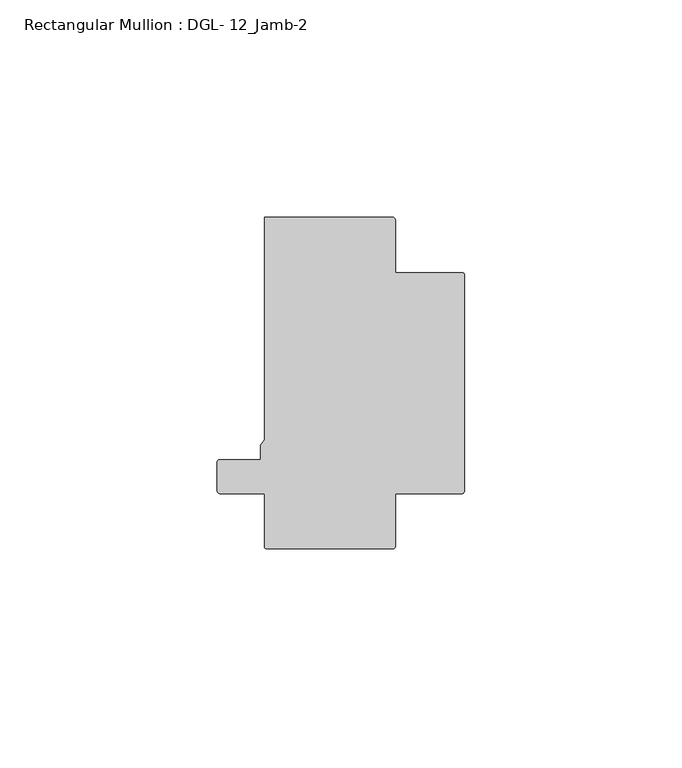
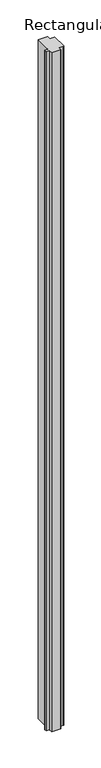
"""IFC4 building model written with IfcOpenShell, lengths in millimetres: member geometry, Rectangular Mullion : DGL- 12_Jamb-2."""

from ifc_helpers import new_model, si_unit, point, frame, frame_2d, origin, place, context, project, spatial, polyline, circle_curve, trimmed, segment, composite_curve, outline, extrude, source, transform, mapped, element, save


def rectangular_mullion_dgl_12_jamb_2_d4b28163(model_context):
    return source(origin(), model_context, "Body", "SweptSolid", [
        extrude(outline(composite_curve([segment(polyline([(-46.0338833, -25.4), (-56.2690058, -25.4)]), True, "CONTINUOUS"), segment(trimmed(circle_curve(frame_2d((-56.2690058, -24.8046875)), 0.5953125), [point((-56.2690058, -25.4))], [point((-56.8643183, -24.8046875))], False, "CARTESIAN"), True, "CONTINUOUS"), segment(polyline([(-56.8643183, -24.8046875), (-56.8643183, -18.1560373)]), True, "CONTINUOUS"), segment(trimmed(circle_curve(frame_2d((-56.3038063, -18.1560373)), 0.560512), [point((-56.8643183, -18.1560373))], [point((-56.3038063, -17.5955253))], False, "CARTESIAN"), True, "CONTINUOUS"), segment(polyline([(-56.3038063, -17.5955253), (-46.9588014, -17.5955253), (-46.9588014, -14.2467814), (-46.0339676, -12.9738568), (-46.0339676, 38.0996792), (-16.4793976, 38.0996792)]), True, "CONTINUOUS"), segment(trimmed(circle_curve(frame_2d((-16.4793976, 37.5043667)), 0.5953125), [point((-16.4793976, 38.0996792))], [point((-15.8840851, 37.5043667))], False, "CARTESIAN"), True, "CONTINUOUS"), segment(polyline([(-15.8840851, 37.5043667), (-15.8840851, 25.3996632), (-0.499998, 25.3996632)]), True, "CONTINUOUS"), segment(trimmed(circle_curve(frame_2d((-0.499998, 24.8996652)), 0.499998), [point((-0.499998, 25.3996632))], [point((0.0, 24.8996652))], False, "CARTESIAN"), True, "CONTINUOUS"), segment(polyline([(0.0, 24.8996652), (0.0, -24.8050243)]), True, "CONTINUOUS"), segment(trimmed(circle_curve(frame_2d((-0.5953125, -24.8050243)), 0.5953125), [point((0.0, -24.8050243))], [point((-0.5953125, -25.4003368))], False, "CARTESIAN"), True, "CONTINUOUS"), segment(polyline([(-0.5953125, -25.4003368), (-15.8840851, -25.4003368), (-15.8840851, -37.5047035)]), True, "CONTINUOUS"), segment(trimmed(circle_curve(frame_2d((-16.4793976, -37.5047035)), 0.5953125), [point((-15.8840851, -37.5047035))], [point((-16.4793976, -38.100016))], False, "CARTESIAN"), True, "CONTINUOUS"), segment(polyline([(-16.4793976, -38.100016), (-45.4385708, -38.100016)]), True, "CONTINUOUS"), segment(trimmed(circle_curve(frame_2d((-45.4385708, -37.5047035)), 0.5953125), [point((-45.4385708, -38.100016))], [point((-46.0338833, -37.5047035))], False, "CARTESIAN"), True, "CONTINUOUS"), segment(polyline([(-46.0338833, -37.5047035), (-46.0338833, -25.4)]), True, "CONTINUOUS")], self_intersect=False)), frame((0.0, 0.0, -2339.4622278), z_axis=(0.0, 0.0, 1.0), x_axis=(1.0, 0.0, 0.0)), (0.0, 0.0, 1.0), 2339.4622278),
    ])


if __name__ == "__main__":
    model = new_model("IFC4")
    model_context = context("Model", 3, world=origin())
    ifc_project = project(units=[si_unit("LENGTHUNIT", "METRE", prefix="MILLI")], contexts=[model_context])
    site = spatial("IfcSite", under=ifc_project)
    building = spatial("IfcBuilding", under=site)
    placement = place(None, origin())
    rectangular_mullion_dgl_12_jamb_2_shape = rectangular_mullion_dgl_12_jamb_2_d4b28163(model_context)
    element("IfcMember", 1, ObjectType="Rectangular Mullion : DGL- 12_Jamb-2", at=placement, inside=building, context=model_context, shape_type="MappedRepresentation", body=[
        mapped(rectangular_mullion_dgl_12_jamb_2_shape, transform((0.0, 0.0, 0.0), x_axis=(1.0, 0.0, 0.0), y_axis=(0.0, 1.0, 0.0), z_axis=(0.0, 0.0, 1.0))),
    ])
    save(model, "model.ifc")
